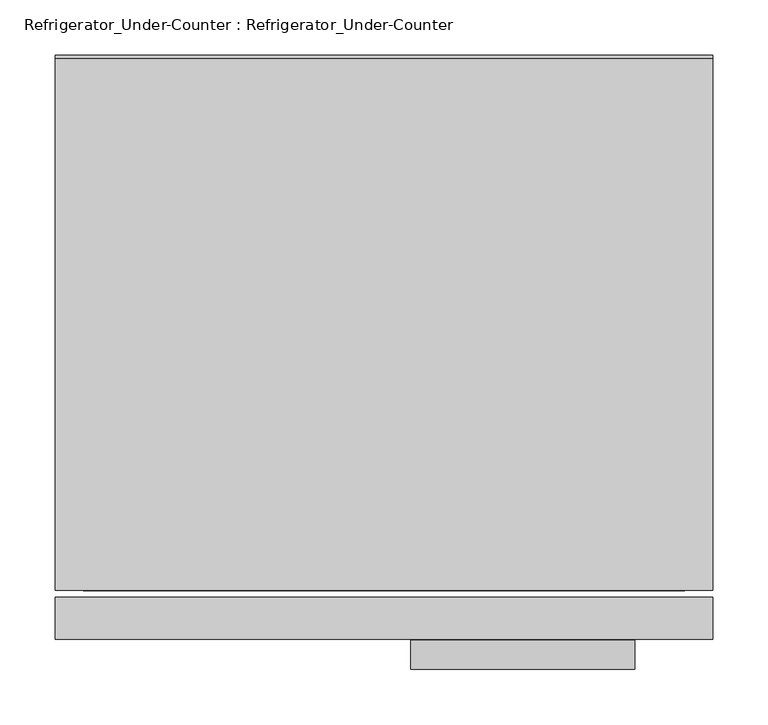
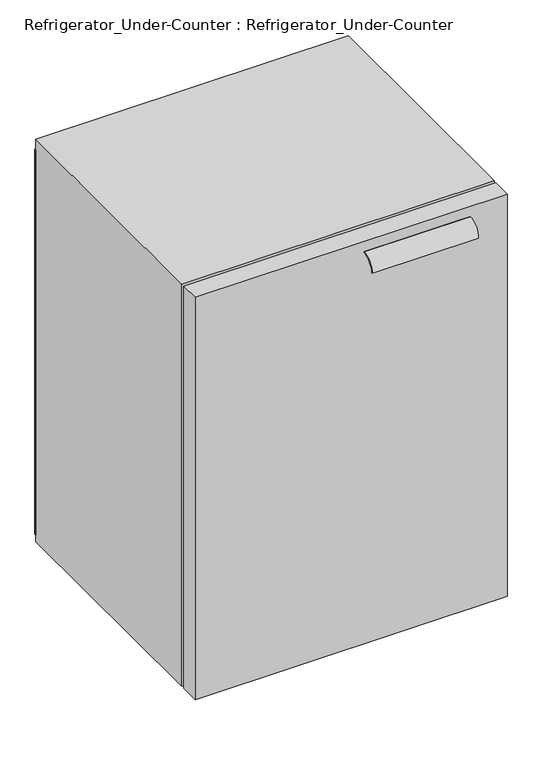
"""IFC4 building model written with IfcOpenShell, lengths in millimetres: proxy geometry, Refrigerator_Under-Counter : Refrigerator_Under-Counter."""

from ifc_helpers import new_model, si_unit, point, frame, frame_2d, origin, place, context, project, spatial, polyline, circle_curve, trimmed, segment, composite_curve, outline, extrude, source, transform, mapped, element, save
from ifc_brep_helpers import plane_surface, revolved_surface, advanced_brep


def refrigerator_under_counter_refrigerator_under_counter_0598e7f2(model_context):
    return source(origin(), model_context, "Body", "SolidModel", [
        extrude(outline(polyline([(344.0762844, 3.175), (344.0762844, 0.0), (-252.8237156, 0.0), (-252.8237156, 3.175), (344.0762844, 3.175)])), frame((0.0, 0.0, 63.5), z_axis=(0.0, 0.0, 1.0), x_axis=(1.0, 0.0, 0.0)), (0.0, 0.0, 1.0), 777.875),
        extrude(outline(composite_curve([segment(trimmed(circle_curve(frame_2d((-527.2721727, 815.975)), 25.4), [point((-527.2721727, 841.375))], [point((-552.6721727, 815.975))], True, "CARTESIAN"), True, "CONTINUOUS"), segment(polyline([(-552.6721727, 815.975), (-554.2596727, 815.975)]), True, "CONTINUOUS"), segment(trimmed(circle_curve(frame_2d((-527.2721727, 815.975)), 26.9875), [point((-554.2596727, 815.975))], [point((-527.2721727, 842.9625))], False, "CARTESIAN"), True, "CONTINUOUS"), segment(polyline([(-527.2721727, 842.9625), (-489.1721727, 842.9625), (-489.1721727, 841.375), (-527.2721727, 841.375)]), True, "CONTINUOUS")], self_intersect=False)), frame((69.85, 0.0, 0.0), z_axis=(1.0, 0.0, 0.0), x_axis=(0.0, 1.0, 0.0)), (0.0, 0.0, 1.0), 203.2),
        extrude(outline(polyline([(344.0762844, -527.05), (-252.8237156, -527.05), (-252.8237156, -488.95), (344.0762844, -488.95), (344.0762844, -527.05)])), frame((0.0, 0.0, 50.8), z_axis=(0.0, 0.0, 1.0), x_axis=(1.0, 0.0, 0.0)), (0.0, 0.0, 1.0), 812.8),
        advanced_brep(
        [(216.5827491, -444.5, 0.0), (233.0870024, -444.5, 0.0), (243.8848758, -444.5, 50.8), (205.7848758, -444.5, 50.8), (224.8348758, -444.5, 0.0), (224.8348758, -444.5, 50.8)],
        [
            (0, 1, circle_curve(frame((224.8348758, -444.5, 0.0), z_axis=(0.0, 0.0, 1.0), x_axis=(1.0, 0.0, 0.0)), 8.2521267)),
            (1, 2),
            (2, 3, circle_curve(frame((224.8348758, -444.5, 50.8), z_axis=(0.0, 0.0, -1.0), x_axis=(1.0, 0.0, 0.0)), 19.05)),
            (3, 0),
            (1, 0, circle_curve(frame((224.8348758, -444.5, 0.0), z_axis=(0.0, 0.0, 1.0), x_axis=(1.0, 0.0, 0.0)), 8.2521267)),
            (3, 2, circle_curve(frame((224.8348758, -444.5, 50.8), z_axis=(0.0, 0.0, -1.0), x_axis=(1.0, 0.0, 0.0)), 19.05)),
            (4, 1),
            (0, 4),
            (2, 5),
            (5, 3),
        ],
        [
            revolved_surface(polyline([(243.8848758, -444.5, 50.8), (233.0870024, -444.5, 0.0)]), (224.8348758, -444.5, 50.8), (0.0, 0.0, -1.0)),
            plane_surface(frame((224.8348758, -444.5, 0.0), z_axis=(0.0, 0.0, -1.0), x_axis=(1.0, 0.0, 0.0))),
            plane_surface(frame((224.8348758, -444.5, 50.8), z_axis=(0.0, 0.0, 1.0), x_axis=(1.0, 0.0, 0.0))),
        ],
        [
            (0, [[1, 2, 3, 4]]),
            (0, [[5, -4, 6, -2]]),
            (1, [[7, -1, 8]]),
            (1, [[-8, -5, -7]]),
            (2, [[-3, 9, 10]]),
            (2, [[-6, -10, -9]]),
        ],
    ),
        advanced_brep(
        [(224.8348758, -38.1, 50.8), (243.8848758, -38.1, 50.8), (205.7848758, -38.1, 50.8), (216.5827491, -38.1, 0.0), (233.0870024, -38.1, 0.0), (224.8348758, -38.1, 0.0)],
        [
            (0, 1),
            (1, 2, circle_curve(frame((224.8348758, -38.1, 50.8), z_axis=(0.0, 0.0, 1.0), x_axis=(1.0, 0.0, 0.0)), 19.05)),
            (2, 0),
            (2, 1, circle_curve(frame((224.8348758, -38.1, 50.8), z_axis=(0.0, 0.0, 1.0), x_axis=(1.0, 0.0, 0.0)), 19.05)),
            (3, 4, circle_curve(frame((224.8348758, -38.1, 0.0), z_axis=(0.0, 0.0, -1.0), x_axis=(1.0, 0.0, 0.0)), 8.2521267)),
            (4, 5),
            (5, 3),
            (4, 3, circle_curve(frame((224.8348758, -38.1, 0.0), z_axis=(0.0, 0.0, -1.0), x_axis=(1.0, 0.0, 0.0)), 8.2521267)),
            (1, 4),
            (3, 2),
        ],
        [
            plane_surface(frame((224.8348758, -38.1, 50.8), z_axis=(0.0, 0.0, 1.0), x_axis=(1.0, 0.0, 0.0))),
            plane_surface(frame((224.8348758, -38.1, 0.0), z_axis=(0.0, 0.0, -1.0), x_axis=(1.0, 0.0, 0.0))),
            revolved_surface(polyline([(233.0870024, -38.1, 0.0), (243.8848758, -38.1, 50.8)]), (224.8348758, -38.1, 50.8), (0.0, 0.0, 1.0)),
        ],
        [
            (0, [[1, 2, 3]]),
            (0, [[-3, 4, -1]]),
            (1, [[5, 6, 7]]),
            (1, [[8, -7, -6]]),
            (2, [[-2, 9, -5, 10]]),
            (2, [[-4, -10, -8, -9]]),
        ],
    ),
        advanced_brep(
        [(-133.5823069, -444.5, 50.8), (-152.6323069, -444.5, 50.8), (-114.5323069, -444.5, 50.8), (-125.3301802, -444.5, 0.0), (-141.8344336, -444.5, 0.0), (-133.5823069, -444.5, 0.0)],
        [
            (0, 1),
            (1, 2, circle_curve(frame((-133.5823069, -444.5, 50.8), z_axis=(0.0, 0.0, 1.0), x_axis=(-1.0, 0.0, 0.0)), 19.05)),
            (2, 0),
            (2, 1, circle_curve(frame((-133.5823069, -444.5, 50.8), z_axis=(0.0, 0.0, 1.0), x_axis=(-1.0, 0.0, 0.0)), 19.05)),
            (3, 4, circle_curve(frame((-133.5823069, -444.5, 0.0), z_axis=(0.0, 0.0, -1.0), x_axis=(-1.0, 0.0, 0.0)), 8.2521267)),
            (4, 5),
            (5, 3),
            (4, 3, circle_curve(frame((-133.5823069, -444.5, 0.0), z_axis=(0.0, 0.0, -1.0), x_axis=(-1.0, 0.0, 0.0)), 8.2521267)),
            (1, 4),
            (3, 2),
        ],
        [
            plane_surface(frame((-133.5823069, -444.5, 50.8), z_axis=(0.0, 0.0, 1.0), x_axis=(-1.0, 0.0, 0.0))),
            plane_surface(frame((-133.5823069, -444.5, 0.0), z_axis=(0.0, 0.0, -1.0), x_axis=(-1.0, 0.0, 0.0))),
            revolved_surface(polyline([(-141.8344336, -444.5, 0.0), (-152.6323069, -444.5, 50.8)]), (-133.5823069, -444.5, 50.8), (0.0, 0.0, 1.0)),
        ],
        [
            (0, [[1, 2, 3]]),
            (0, [[-3, 4, -1]]),
            (1, [[5, 6, 7]]),
            (1, [[8, -7, -6]]),
            (2, [[-2, 9, -5, 10]]),
            (2, [[-4, -10, -8, -9]]),
        ],
    ),
        advanced_brep(
        [(-125.3301802, -38.1, 0.0), (-141.8344336, -38.1, 0.0), (-152.6323069, -38.1, 50.8), (-114.5323069, -38.1, 50.8), (-133.5823069, -38.1, 0.0), (-133.5823069, -38.1, 50.8)],
        [
            (0, 1, circle_curve(frame((-133.5823069, -38.1, 0.0), z_axis=(0.0, 0.0, 1.0), x_axis=(-1.0, 0.0, 0.0)), 8.2521267)),
            (1, 2),
            (2, 3, circle_curve(frame((-133.5823069, -38.1, 50.8), z_axis=(0.0, 0.0, -1.0), x_axis=(-1.0, 0.0, 0.0)), 19.05)),
            (3, 0),
            (1, 0, circle_curve(frame((-133.5823069, -38.1, 0.0), z_axis=(0.0, 0.0, 1.0), x_axis=(-1.0, 0.0, 0.0)), 8.2521267)),
            (3, 2, circle_curve(frame((-133.5823069, -38.1, 50.8), z_axis=(0.0, 0.0, -1.0), x_axis=(-1.0, 0.0, 0.0)), 19.05)),
            (4, 1),
            (0, 4),
            (2, 5),
            (5, 3),
        ],
        [
            revolved_surface(polyline([(-152.6323069, -38.1, 50.8), (-141.8344336, -38.1, 0.0)]), (-133.5823069, -38.1, 50.8), (0.0, 0.0, -1.0)),
            plane_surface(frame((-133.5823069, -38.1, 0.0), z_axis=(0.0, 0.0, -1.0), x_axis=(-1.0, 0.0, 0.0))),
            plane_surface(frame((-133.5823069, -38.1, 50.8), z_axis=(0.0, 0.0, 1.0), x_axis=(-1.0, 0.0, 0.0))),
        ],
        [
            (0, [[1, 2, 3, 4]]),
            (0, [[5, -4, 6, -2]]),
            (1, [[7, -1, 8]]),
            (1, [[-8, -5, -7]]),
            (2, [[-3, 9, 10]]),
            (2, [[-6, -10, -9]]),
        ],
    ),
        extrude(outline(polyline([(50.8, -252.8237156), (50.8, 344.0762844), (863.6, 344.0762844), (863.6, -252.8237156), (50.8, -252.8237156)]), holes=[polyline([(841.375, -227.4237156), (841.375, 318.6762844), (76.2, 318.6762844), (76.2, -227.4237156), (841.375, -227.4237156)])]), frame((0.0, -482.6, 0.0), z_axis=(0.0, 1.0, 0.0), x_axis=(0.0, 0.0, 1.0)), (0.0, 0.0, 1.0), 482.6),
    ])


if __name__ == "__main__":
    model = new_model("IFC4")
    model_context = context("Model", 3, world=origin())
    ifc_project = project(units=[si_unit("LENGTHUNIT", "METRE", prefix="MILLI")], contexts=[model_context])
    site = spatial("IfcSite", under=ifc_project)
    building = spatial("IfcBuilding", under=site)
    placement = place(None, origin())
    refrigerator_under_counter_refrigerator_under_counter_shape = refrigerator_under_counter_refrigerator_under_counter_0598e7f2(model_context)
    element("IfcBuildingElementProxy", 1, Name="Refrigerator_Under-Counter : Refrigerator_Under-Counter", ObjectType="Refrigerator_Under-Counter : Refrigerator_Under-Counter", at=placement, inside=building, context=model_context, shape_type="MappedRepresentation", body=[
        mapped(refrigerator_under_counter_refrigerator_under_counter_shape, transform((0.0, 0.0, 0.0), x_axis=(1.0, 0.0, 0.0), y_axis=(0.0, 1.0, 0.0), z_axis=(0.0, 0.0, 1.0))),
    ])
    save(model, "model.ifc")
